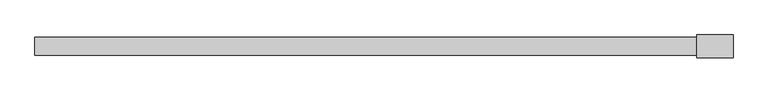
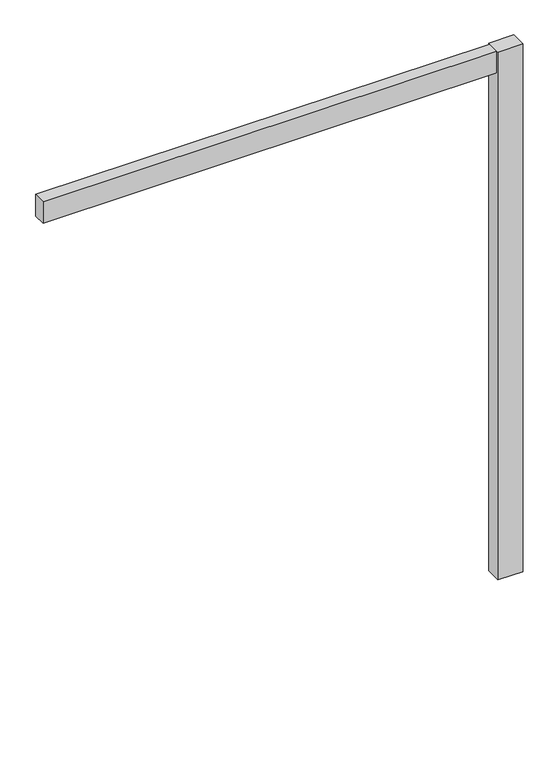
"""IFC4 building model written with IfcOpenShell, lengths in millimetres: furniture geometry."""

from ifc_helpers import new_model, si_unit, frame, origin, place, context, project, spatial, polyline, circle_curve, outline, extrude, source, transform, mapped, element, save
from ifc_brep_helpers import plane_surface, cylinder_surface, revolved_surface, advanced_brep


def furniture_15666f27(model_context):
    return source(origin(), model_context, "Body", "SolidModel", [
        advanced_brep(
        [(1908.6593183, 0.0, 8.6192084), (1895.2446817, 0.0, 8.6192084), (1895.2446817, 0.0, 12.2513995), (1908.6593183, 0.0, 12.2513995), (1901.952, 0.0, 12.2513995), (1901.952, 0.0, 0.1343169), (1898.0563345, 0.0, 0.1343169), (1905.8476655, 0.0, 0.1343169), (1893.3540951, 0.0, 0.5457096), (1910.5499049, 0.0, 0.5457096), (1891.4216967, 0.0, 1.6168555), (1912.4823033, 0.0, 1.6168555), (1890.7028815, 0.0, 3.5917842), (1913.2011185, 0.0, 3.5917842), (1890.7028815, 0.0, 5.5815918), (1913.2011185, 0.0, 5.5815918), (1891.0635605, 0.0, 6.9276644), (1912.8404395, 0.0, 6.9276644), (1892.0901926, 0.0, 7.9542964), (1911.8138074, 0.0, 7.9542964), (1893.7359075, 0.0, 8.6192084), (1910.1680925, 0.0, 8.6192084)],
        [
            (0, 1, circle_curve(frame((1901.952, 0.0, 8.6192084), z_axis=(0.0, 0.0, 1.0), x_axis=(-1.0, 0.0, 0.0)), 6.7073183)),
            (1, 2),
            (2, 3, circle_curve(frame((1901.952, 0.0, 12.2513995), z_axis=(0.0, 0.0, -1.0), x_axis=(-1.0, 0.0, 0.0)), 6.7073183)),
            (3, 0),
            (1, 0, circle_curve(frame((1901.952, 0.0, 8.6192084), z_axis=(0.0, 0.0, 1.0), x_axis=(-1.0, 0.0, 0.0)), 6.7073183)),
            (3, 2, circle_curve(frame((1901.952, 0.0, 12.2513995), z_axis=(0.0, 0.0, -1.0), x_axis=(-1.0, 0.0, 0.0)), 6.7073183)),
            (2, 4),
            (4, 3),
            (5, 6),
            (6, 7, circle_curve(frame((1901.952, 0.0, 0.1343169), z_axis=(0.0, 0.0, -1.0), x_axis=(-1.0, 0.0, 0.0)), 3.8956655)),
            (7, 5),
            (7, 6, circle_curve(frame((1901.952, 0.0, 0.1343169), z_axis=(0.0, 0.0, -1.0), x_axis=(-1.0, 0.0, 0.0)), 3.8956655)),
            (6, 8),
            (8, 9, circle_curve(frame((1901.952, 0.0, 0.5457096), z_axis=(0.0, 0.0, -1.0), x_axis=(-1.0, 0.0, 0.0)), 8.5979049)),
            (9, 7),
            (9, 8, circle_curve(frame((1901.952, 0.0, 0.5457096), z_axis=(0.0, 0.0, -1.0), x_axis=(-1.0, 0.0, 0.0)), 8.5979049)),
            (8, 10),
            (10, 11, circle_curve(frame((1901.952, 0.0, 1.6168555), z_axis=(0.0, 0.0, -1.0), x_axis=(-1.0, 0.0, 0.0)), 10.5303033)),
            (11, 9),
            (11, 10, circle_curve(frame((1901.952, 0.0, 1.6168555), z_axis=(0.0, 0.0, -1.0), x_axis=(-1.0, 0.0, 0.0)), 10.5303033)),
            (10, 12),
            (12, 13, circle_curve(frame((1901.952, 0.0, 3.5917842), z_axis=(0.0, 0.0, -1.0), x_axis=(-1.0, 0.0, 0.0)), 11.2491185)),
            (13, 11),
            (13, 12, circle_curve(frame((1901.952, 0.0, 3.5917842), z_axis=(0.0, 0.0, -1.0), x_axis=(-1.0, 0.0, 0.0)), 11.2491185)),
            (12, 14),
            (14, 15, circle_curve(frame((1901.952, 0.0, 5.5815918), z_axis=(0.0, 0.0, -1.0), x_axis=(-1.0, 0.0, 0.0)), 11.2491185)),
            (15, 13),
            (15, 14, circle_curve(frame((1901.952, 0.0, 5.5815918), z_axis=(0.0, 0.0, -1.0), x_axis=(-1.0, 0.0, 0.0)), 11.2491185)),
            (14, 16),
            (16, 17, circle_curve(frame((1901.952, 0.0, 6.9276644), z_axis=(0.0, 0.0, -1.0), x_axis=(-1.0, 0.0, 0.0)), 10.8884395)),
            (17, 15),
            (17, 16, circle_curve(frame((1901.952, 0.0, 6.9276644), z_axis=(0.0, 0.0, -1.0), x_axis=(-1.0, 0.0, 0.0)), 10.8884395)),
            (16, 18),
            (18, 19, circle_curve(frame((1901.952, 0.0, 7.9542964), z_axis=(0.0, 0.0, -1.0), x_axis=(-1.0, 0.0, 0.0)), 9.8618074)),
            (19, 17),
            (19, 18, circle_curve(frame((1901.952, 0.0, 7.9542964), z_axis=(0.0, 0.0, -1.0), x_axis=(-1.0, 0.0, 0.0)), 9.8618074)),
            (18, 20),
            (20, 21, circle_curve(frame((1901.952, 0.0, 8.6192084), z_axis=(0.0, 0.0, -1.0), x_axis=(-1.0, 0.0, 0.0)), 8.2160925)),
            (21, 19),
            (21, 20, circle_curve(frame((1901.952, 0.0, 8.6192084), z_axis=(0.0, 0.0, -1.0), x_axis=(-1.0, 0.0, 0.0)), 8.2160925)),
            (20, 1),
            (0, 21),
        ],
        [
            cylinder_surface(frame((1901.952, 0.0, 12.9264669), z_axis=(0.0, 0.0, -1.0), x_axis=(-1.0, 0.0, 0.0)), 6.7073183),
            plane_surface(frame((1901.952, 0.0, 12.2513995), z_axis=(0.0, 0.0, 1.0), x_axis=(-1.0, 0.0, 0.0))),
            plane_surface(frame((1901.952, 0.0, 0.1343169), z_axis=(0.0, 0.0, -1.0), x_axis=(-1.0, 0.0, 0.0))),
            revolved_surface(polyline([(1893.3540951, 0.0, 0.5457096), (1898.0563345, 0.0, 0.1343169)]), (1901.952, 0.0, 12.9264669), (0.0, 0.0, -1.0)),
            revolved_surface(polyline([(1891.4216967, 0.0, 1.6168555), (1893.3540951, 0.0, 0.5457096)]), (1901.952, 0.0, 12.9264669), (0.0, 0.0, -1.0)),
            revolved_surface(polyline([(1890.7028815, 0.0, 3.5917842), (1891.4216967, 0.0, 1.6168555)]), (1901.952, 0.0, 12.9264669), (0.0, 0.0, -1.0)),
            cylinder_surface(frame((1901.952, 0.0, 12.9264669), z_axis=(0.0, 0.0, -1.0), x_axis=(-1.0, 0.0, 0.0)), 11.2491185),
            revolved_surface(polyline([(1891.0635605, 0.0, 6.9276644), (1890.7028815, 0.0, 5.5815918)]), (1901.952, 0.0, 12.9264669), (0.0, 0.0, -1.0)),
            revolved_surface(polyline([(1892.0901926, 0.0, 7.9542964), (1891.0635605, 0.0, 6.9276644)]), (1901.952, 0.0, 12.9264669), (0.0, 0.0, -1.0)),
            revolved_surface(polyline([(1893.7359075, 0.0, 8.6192084), (1892.0901926, 0.0, 7.9542964)]), (1901.952, 0.0, 12.9264669), (0.0, 0.0, -1.0)),
            plane_surface(frame((1901.952, 0.0, 8.6192084), z_axis=(0.0, 0.0, 1.0), x_axis=(-1.0, 0.0, 0.0))),
        ],
        [
            (0, [[1, 2, 3, 4]]),
            (0, [[5, -4, 6, -2]]),
            (1, [[-3, 7, 8]]),
            (1, [[-6, -8, -7]]),
            (2, [[9, 10, 11]]),
            (2, [[-11, 12, -9]]),
            (3, [[-10, 13, 14, 15]]),
            (3, [[-12, -15, 16, -13]]),
            (4, [[-14, 17, 18, 19]]),
            (4, [[-16, -19, 20, -17]]),
            (5, [[-18, 21, 22, 23]]),
            (5, [[-20, -23, 24, -21]]),
            (6, [[-22, 25, 26, 27]]),
            (6, [[-24, -27, 28, -25]]),
            (7, [[-26, 29, 30, 31]]),
            (7, [[-28, -31, 32, -29]]),
            (8, [[-30, 33, 34, 35]]),
            (8, [[-32, -35, 36, -33]]),
            (9, [[-34, 37, 38, 39]]),
            (9, [[-36, -39, 40, -37]]),
            (10, [[-38, 41, -1, 42]]),
            (10, [[-40, -42, -5, -41]]),
        ],
    ),
        extrude(outline(polyline([(1952.752, 31.75), (1952.752, -31.75), (1851.152, -31.75), (1851.152, 31.75), (1952.752, 31.75)])), frame((0.0, 0.0, 12.2513995), z_axis=(0.0, 0.0, 1.0), x_axis=(1.0, 0.0, 0.0)), (0.0, 0.0, 1.0), 2273.6216005),
        extrude(outline(polyline([(1851.152, -25.4), (0.0, -25.4), (0.0, 25.4), (1851.152, 25.4), (1851.152, -25.4)])), frame((0.0, 0.0, 2193.163), z_axis=(0.0, 0.0, 1.0), x_axis=(1.0, 0.0, 0.0)), (0.0, 0.0, 1.0), 92.71),
    ])


if __name__ == "__main__":
    model = new_model("IFC4")
    model_context = context("Model", 3, world=origin())
    ifc_project = project(units=[si_unit("LENGTHUNIT", "METRE", prefix="MILLI")], contexts=[model_context])
    site = spatial("IfcSite", under=ifc_project)
    building = spatial("IfcBuilding", under=site)
    placement = place(None, origin())
    furniture_shape = furniture_15666f27(model_context)
    element("IfcFurniture", 1, at=placement, inside=building, context=model_context, shape_type="MappedRepresentation", body=[
        mapped(furniture_shape, transform((0.0, 0.0, 0.0), x_axis=(1.0, 0.0, 0.0), y_axis=(0.0, 1.0, 0.0), z_axis=(0.0, 0.0, 1.0))),
    ])
    save(model, "model.ifc")
